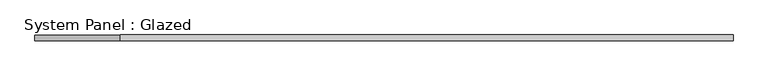
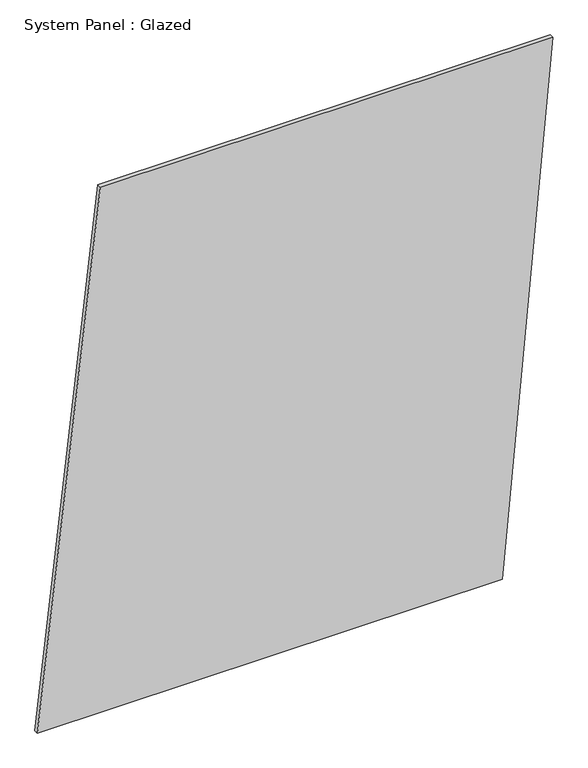
"""IFC4 building model written with IfcOpenShell, lengths in millimetres: plate geometry, System Panel : Glazed."""

from ifc_helpers import new_model, si_unit, frame, origin, place, context, project, spatial, polyline, outline, extrude, source, transform, mapped, element, save


def system_panel_glazed_32e26c66(model_context):
    return source(origin(), model_context, "Body", "SweptSolid", [
        extrude(outline(polyline([(0.0, -1551.8175928), (0.0, 1248.1824072), (3342.6754788, 1551.8175928), (3342.6754788, -1172.2736107), (0.0, -1551.8175928)])), frame((0.0, -49.5, 0.0), z_axis=(0.0, 1.0, 0.0), x_axis=(0.0, 0.0, 1.0)), (0.0, 0.0, 1.0), 25.0),
    ])


if __name__ == "__main__":
    model = new_model("IFC4")
    model_context = context("Model", 3, world=origin())
    ifc_project = project(units=[si_unit("LENGTHUNIT", "METRE", prefix="MILLI")], contexts=[model_context])
    site = spatial("IfcSite", under=ifc_project)
    building = spatial("IfcBuilding", under=site)
    placement = place(None, origin())
    system_panel_glazed_shape = system_panel_glazed_32e26c66(model_context)
    element("IfcPlate", 1, ObjectType="System Panel : Glazed", at=placement, inside=building, context=model_context, shape_type="MappedRepresentation", body=[
        mapped(system_panel_glazed_shape, transform((0.0, 0.0, 0.0), x_axis=(1.0, 0.0, 0.0), y_axis=(0.0, 1.0, 0.0), z_axis=(0.0, 0.0, 1.0))),
    ])
    save(model, "model.ifc")
